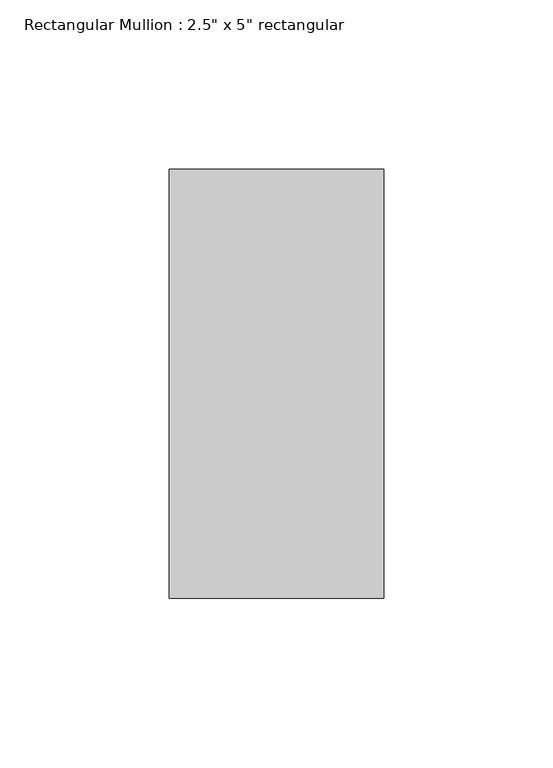
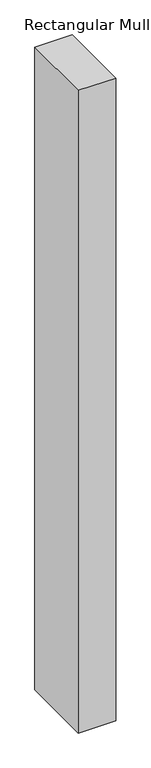
"""IFC4 building model written with IfcOpenShell, lengths in millimetres: member geometry."""

from ifc_helpers import new_model, si_unit, frame, origin, place, context, project, spatial, polyline, outline, extrude, source, transform, mapped, element, save


def member_632622d6(model_context):
    return source(origin(), model_context, "Body", "SweptSolid", [
        extrude(outline(polyline([(0.0, 63.5), (0.0, -63.5), (-63.5, -63.5), (-63.5, 63.5), (0.0, 63.5)])), frame((0.0, 0.0, -1147.7126593), z_axis=(0.0, 0.0, 1.0), x_axis=(1.0, 0.0, 0.0)), (0.0, 0.0, 1.0), 1147.7126593),
    ])


if __name__ == "__main__":
    model = new_model("IFC4")
    model_context = context("Model", 3, world=origin())
    ifc_project = project(units=[si_unit("LENGTHUNIT", "METRE", prefix="MILLI")], contexts=[model_context])
    site = spatial("IfcSite", under=ifc_project)
    building = spatial("IfcBuilding", under=site)
    placement = place(None, origin())
    member_shape = member_632622d6(model_context)
    element("IfcMember", 1, ObjectType="Rectangular Mullion : 2.5\" x 5\" rectangular", at=placement, inside=building, context=model_context, shape_type="MappedRepresentation", body=[
        mapped(member_shape, transform((0.0, 0.0, 0.0), x_axis=(1.0, 0.0, 0.0), y_axis=(0.0, 1.0, 0.0), z_axis=(0.0, 0.0, 1.0))),
    ])
    save(model, "model.ifc")
